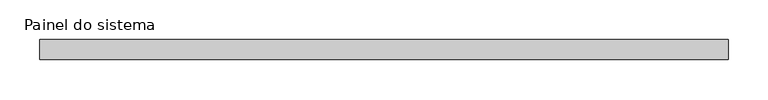
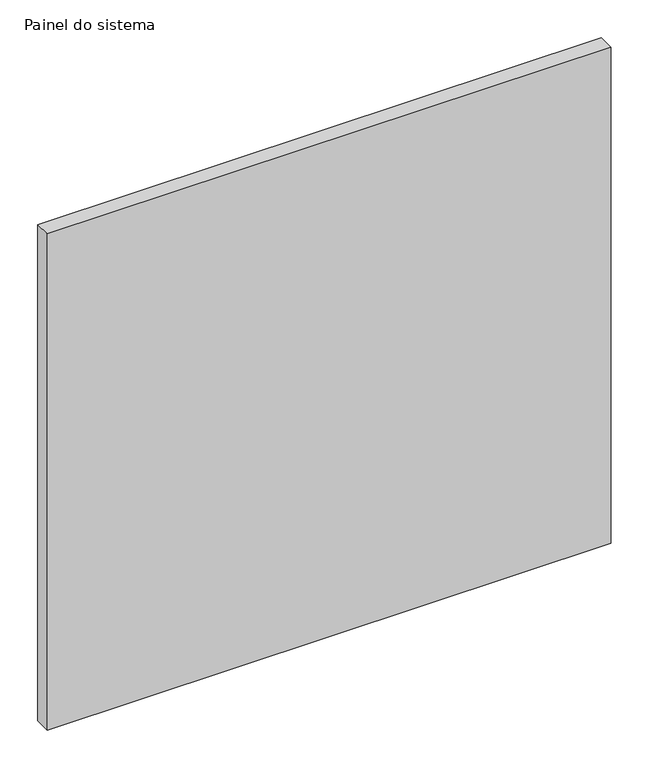
"""IFC4 building model written with IfcOpenShell, lengths in millimetres: plate geometry, Painel do sistema."""

from ifc_helpers import new_model, si_unit, origin, origin_with_axes, place, context, project, spatial, polyline, outline, extrude, source, transform, mapped, element, save


def painel_do_sistema_c04c3012(model_context):
    return source(origin(), model_context, "Body", "SweptSolid", [
        extrude(outline(polyline([(430.0000002, 24.5), (-430.0000002, 24.5), (-430.0000002, 49.5), (430.0000002, 49.5), (430.0000002, 24.5)])), origin_with_axes(), (0.0, 0.0, 1.0), 800.0),
    ])


if __name__ == "__main__":
    model = new_model("IFC4")
    model_context = context("Model", 3, world=origin())
    ifc_project = project(units=[si_unit("LENGTHUNIT", "METRE", prefix="MILLI")], contexts=[model_context])
    site = spatial("IfcSite", under=ifc_project)
    building = spatial("IfcBuilding", under=site)
    placement = place(None, origin())
    painel_do_sistema_shape = painel_do_sistema_c04c3012(model_context)
    element("IfcPlate", 1, ObjectType="Painel do sistema", at=placement, inside=building, context=model_context, shape_type="MappedRepresentation", body=[
        mapped(painel_do_sistema_shape, transform((0.0, 0.0, 0.0), x_axis=(1.0, 0.0, 0.0), y_axis=(0.0, 1.0, 0.0), z_axis=(0.0, 0.0, 1.0))),
    ])
    save(model, "model.ifc")
